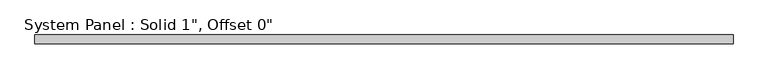
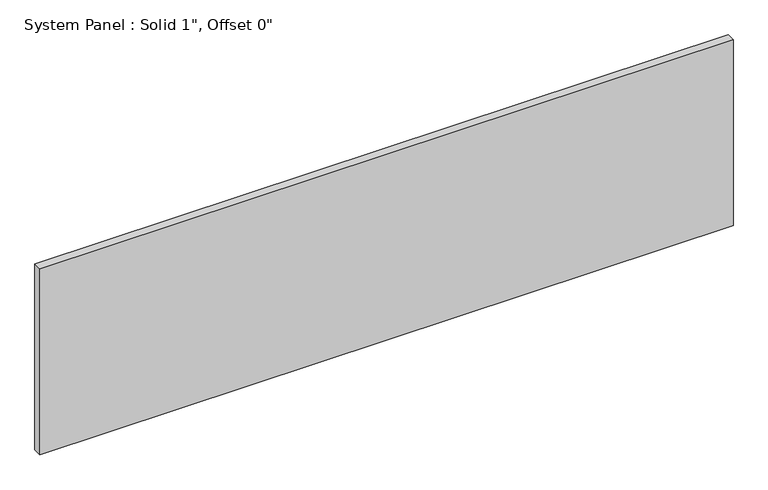
"""IFC4 building model written with IfcOpenShell, lengths in millimetres: plate geometry."""

from ifc_helpers import new_model, si_unit, origin, origin_with_axes, place, context, project, spatial, polyline, outline, extrude, source, transform, mapped, element, save


def plate_b95f9847(model_context):
    return source(origin(), model_context, "Body", "SweptSolid", [
        extrude(outline(polyline([(1004.1123651, -12.7), (-1004.1123651, -12.7), (-1004.1123651, 12.7), (1004.1123651, 12.7), (1004.1123651, -12.7)])), origin_with_axes(), (0.0, 0.0, 1.0), 568.9995022),
    ])


if __name__ == "__main__":
    model = new_model("IFC4")
    model_context = context("Model", 3, world=origin())
    ifc_project = project(units=[si_unit("LENGTHUNIT", "METRE", prefix="MILLI")], contexts=[model_context])
    site = spatial("IfcSite", under=ifc_project)
    building = spatial("IfcBuilding", under=site)
    placement = place(None, origin())
    plate_shape = plate_b95f9847(model_context)
    element("IfcPlate", 1, ObjectType="System Panel : Solid 1\", Offset 0\"", at=placement, inside=building, context=model_context, shape_type="MappedRepresentation", body=[
        mapped(plate_shape, transform((0.0, 0.0, 0.0), x_axis=(1.0, 0.0, 0.0), y_axis=(0.0, 1.0, 0.0), z_axis=(0.0, 0.0, 1.0))),
    ])
    save(model, "model.ifc")
